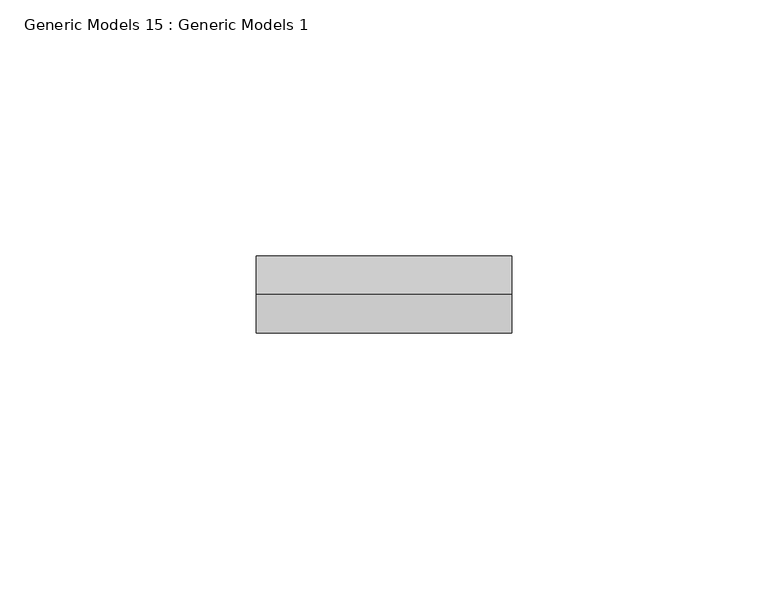
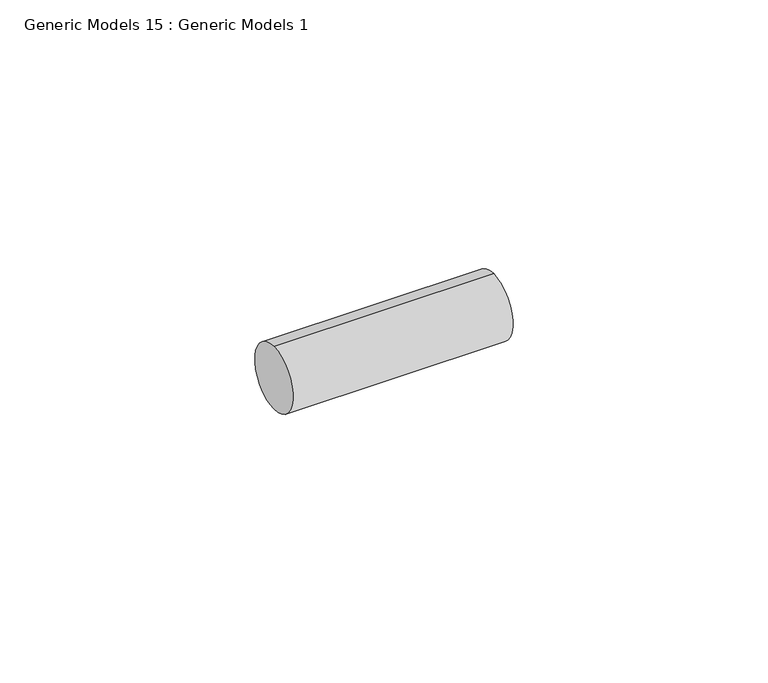
"""IFC4 building model written with IfcOpenShell, lengths in millimetres: proxy geometry, Generic Models 15 : Generic Models 1."""

import ifcopenshell
import ifcopenshell.guid

model = None  # the IFC model being written
_history = None  # IfcOwnerHistory: only IFC2X3 demands one
_inside = {}  # id of a spatial element -> (the spatial element, [elements in it])
_under = {}  # id of a project, library or spatial element -> (it, [spatial elements below it])
_declared = {}  # id of a project -> (the project, [libraries it declares])
_typed = {}  # id of a type object -> (the type object, [elements of that type])
_made_of = {}  # id of a material, layer set ... -> (it, [elements and type objects made of it])


def new_model(schema):
    """Start an empty IFC model of exactly this schema.

    Asked for "IFC4X3", IfcOpenShell would pick the latest addendum, in which some entities
    have other attributes; the version numbers below select the first issue.
    IFC2X3 requires an IfcOwnerHistory on every rooted entity: one is made here for all.
    """
    global model, _history
    if schema == "IFC4X3":
        model = ifcopenshell.file(schema_version=(4, 3, 0, 0))
    else:
        model = ifcopenshell.file(schema=schema)
    _inside.clear()
    _under.clear()
    _declared.clear()
    _typed.clear()
    _made_of.clear()
    _history = None
    if model.schema == "IFC2X3":
        org = make("IfcOrganization", Name="unknown")
        user = make(
            "IfcPersonAndOrganization",
            ThePerson=make("IfcPerson", FamilyName="unknown"),
            TheOrganization=org,
        )
        app = make(
            "IfcApplication",
            ApplicationDeveloper=org,
            Version="unknown",
            ApplicationFullName="unknown",
            ApplicationIdentifier="unknown",
        )
        _history = make(
            "IfcOwnerHistory",
            OwningUser=user,
            OwningApplication=app,
            ChangeAction="ADDED",
            CreationDate=0,
        )
    return model


def make(cls, **values):
    """One entity of the class cls with the attributes given. An attribute that is None is left unset."""
    return model.create_entity(
        cls, **{name: value for name, value in values.items() if value is not None}
    )


def rooted(cls, **values):
    """An entity with a GlobalId (a new one), such as an element, a storey or a relation."""
    return make(cls, GlobalId=ifcopenshell.guid.new(), OwnerHistory=_history, **values)


def si_unit(unit_type, name, prefix=None):
    """IfcSIUnit, for example si_unit("LENGTHUNIT", "METRE", prefix="MILLI")."""
    return make("IfcSIUnit", UnitType=unit_type, Prefix=prefix, Name=name)


def assignment(units):
    """IfcUnitAssignment: the units of a project."""
    return None if units is None else make("IfcUnitAssignment", Units=units)


def point(xyz):
    """IfcCartesianPoint."""
    return None if xyz is None else make("IfcCartesianPoint", Coordinates=xyz)


def direction(xyz):
    """IfcDirection."""
    return None if xyz is None else make("IfcDirection", DirectionRatios=xyz)


def frame(location, z_axis=None, x_axis=None):
    """IfcAxis2Placement3D, a coordinate frame: its origin and axes. An axis left out is left unset."""
    return make(
        "IfcAxis2Placement3D",
        Location=point(location),
        Axis=direction(z_axis),
        RefDirection=direction(x_axis),
    )


def frame_2d(location, x_axis=None):
    """IfcAxis2Placement2D, a coordinate frame in the plane: its origin and x axis."""
    return make(
        "IfcAxis2Placement2D", Location=point(location), RefDirection=direction(x_axis)
    )


def origin():
    """The frame at (0, 0, 0) with its axes left unset."""
    return frame((0.0, 0.0, 0.0))


def place(relative_to, where):
    """IfcLocalPlacement: puts the frame where relative to a parent placement (None: the world)."""
    return make(
        "IfcLocalPlacement", PlacementRelTo=relative_to, RelativePlacement=where
    )


def context(
    kind, dimensions, precision=None, world=None, true_north=None, identifier=None
):
    """IfcGeometricRepresentationContext, for example the 3D "Model" context."""
    return make(
        "IfcGeometricRepresentationContext",
        ContextIdentifier=identifier,
        ContextType=kind,
        CoordinateSpaceDimension=dimensions,
        Precision=precision,
        WorldCoordinateSystem=world,
        TrueNorth=true_north,
    )


def project(units=None, contexts=None):
    """IfcProject with its units and contexts."""
    return rooted(
        "IfcProject",
        Name="project",
        RepresentationContexts=contexts,
        UnitsInContext=assignment(units),
    )


def spatial(cls, under=None, at=None, **own):
    """A site, building, storey or space (cls), placed at a placement, below another one or the project."""
    s = rooted(cls, ObjectPlacement=at, **own)
    if under is not None:
        _under.setdefault(under.id(), (under, []))[1].append(s)
    return s


def circle_curve(where, radius):
    """IfcCircle in the frame where."""
    return make("IfcCircle", Position=where, Radius=radius)


def trimmed(basis, trim1, trim2, sense, master):
    """IfcTrimmedCurve: the piece of a basis curve between two trims."""
    return make(
        "IfcTrimmedCurve",
        BasisCurve=basis,
        Trim1=trim1,
        Trim2=trim2,
        SenseAgreement=sense,
        MasterRepresentation=master,
    )


def segment(curve, same_sense, transition):
    """IfcCompositeCurveSegment."""
    return make(
        "IfcCompositeCurveSegment",
        Transition=transition,
        SameSense=same_sense,
        ParentCurve=curve,
    )


def composite_curve(segments, self_intersect=None):
    """IfcCompositeCurve: segments joined end to end."""
    return make("IfcCompositeCurve", Segments=segments, SelfIntersect=self_intersect)


def outline(outer, holes=None, kind="AREA"):
    """IfcArbitraryClosedProfileDef: a profile drawn as a closed curve; with holes, ...WithVoids."""
    if holes is None:
        return make("IfcArbitraryClosedProfileDef", ProfileType=kind, OuterCurve=outer)
    return make(
        "IfcArbitraryProfileDefWithVoids",
        ProfileType=kind,
        OuterCurve=outer,
        InnerCurves=holes,
    )


def extrude(swept, where, along, depth):
    """IfcExtrudedAreaSolid: the profile swept, set in the frame where, extruded along a direction by depth."""
    return make(
        "IfcExtrudedAreaSolid",
        SweptArea=swept,
        Position=where,
        ExtrudedDirection=direction(along),
        Depth=depth,
    )


def shape(context_of_items, identifier, shape_type, items):
    """IfcShapeRepresentation: the items that make up one representation, for example the "Body"."""
    return make(
        "IfcShapeRepresentation",
        ContextOfItems=context_of_items,
        RepresentationIdentifier=identifier,
        RepresentationType=shape_type,
        Items=items,
    )


def source(mapping_origin, context_of_items, identifier, shape_type, items):
    """IfcRepresentationMap: a shape defined once, which mapped items show again and again."""
    return make(
        "IfcRepresentationMap",
        MappingOrigin=mapping_origin,
        MappedRepresentation=shape(context_of_items, identifier, shape_type, items),
    )


def transform(
    local_origin,
    x_axis=None,
    y_axis=None,
    z_axis=None,
    scale=None,
    scale2=None,
    scale3=None,
    uniform=True,
):
    """IfcCartesianTransformationOperator3D, or its non-uniform kind. x_axis, y_axis, z_axis: its Axis1, 2, 3."""
    if uniform:
        return make(
            "IfcCartesianTransformationOperator3D",
            Axis1=direction(x_axis),
            Axis2=direction(y_axis),
            LocalOrigin=point(local_origin),
            Scale=scale,
            Axis3=direction(z_axis),
        )
    return make(
        "IfcCartesianTransformationOperator3DnonUniform",
        Axis1=direction(x_axis),
        Axis2=direction(y_axis),
        LocalOrigin=point(local_origin),
        Scale=scale,
        Axis3=direction(z_axis),
        Scale2=scale2,
        Scale3=scale3,
    )


def mapped(mapping_source, mapping_target):
    """IfcMappedItem: shows the shape of a source again, moved by a transform."""
    return make(
        "IfcMappedItem", MappingSource=mapping_source, MappingTarget=mapping_target
    )


def made_of(thing, what):
    """Note that an element or type object is made of a material, layer set ...; save() writes the relation."""
    if what is not None:
        _made_of.setdefault(what.id(), (what, []))[1].append(thing)
    return thing


def element(
    cls,
    number,
    at=None,
    inside=None,
    cuts=None,
    type_object=None,
    material=None,
    context=None,
    identifier="Body",
    shape_type=None,
    held_by="IfcProductDefinitionShape",
    body=None,
    shapes=None,
    **own,
):
    """One element of the class cls, such as IfcWall. Its Tag is "e" and its number.

    at: its placement. inside: the storey or other place that contains it. cuts: it is an
    opening in that element (IfcRelVoidsElement). A single representation is given by context,
    identifier, shape_type and body (its items); several are given by shapes. held_by: the class
    of the entity that holds the representations. save() writes the other relations.
    """
    e = rooted(cls, Tag="e%d" % number, ObjectPlacement=at, **own)
    if body is not None:
        shapes = [shape(context, identifier, shape_type, body)]
    if shapes is not None:
        e.Representation = make(held_by, Representations=shapes)
    if inside is not None:
        _inside.setdefault(inside.id(), (inside, []))[1].append(e)
    if cuts is not None:
        rooted(
            "IfcRelVoidsElement", RelatingBuildingElement=cuts, RelatedOpeningElement=e
        )
    if type_object is not None:
        _typed.setdefault(type_object.id(), (type_object, []))[1].append(e)
    return made_of(e, material)


def aggregate(whole, parts):
    """IfcRelAggregates: a whole, such as a stair, and the parts it consists of."""
    return rooted("IfcRelAggregates", RelatingObject=whole, RelatedObjects=parts)


def save(model, path):
    """Write the relations noted so far, then the file.

    IfcRelAggregates (storeys below a building ...), IfcRelContainedInSpatialStructure (elements
    in a storey), IfcRelDefinesByType, IfcRelAssociatesMaterial and IfcRelDeclares: one each for
    every whole, place, type object, material and project.
    """
    for whole, parts in _under.values():
        aggregate(whole, parts)
    for where, things in _inside.values():
        rooted(
            "IfcRelContainedInSpatialStructure",
            RelatedElements=things,
            RelatingStructure=where,
        )
    for kind, things in _typed.values():
        rooted("IfcRelDefinesByType", RelatedObjects=things, RelatingType=kind)
    for what, things in _made_of.values():
        rooted("IfcRelAssociatesMaterial", RelatedObjects=things, RelatingMaterial=what)
    for by, libraries in _declared.values():
        rooted("IfcRelDeclares", RelatingContext=by, RelatedDefinitions=libraries)
    model.write(path)


def generic_models_15_generic_models_1_c620d899(model_context):
    return source(origin(), model_context, "Body", "SweptSolid", [
        extrude(outline(composite_curve([segment(trimmed(circle_curve(frame_2d((400.3057469, -814.107223)), 7.5), [point((400.3057469, -821.607223))], [point((400.3057469, -806.607223))], False, "CARTESIAN"), True, "CONTINUOUS"), segment(trimmed(circle_curve(frame_2d((400.3057469, -814.107223)), 7.5), [point((400.3057469, -806.607223))], [point((400.3057469, -821.607223))], False, "CARTESIAN"), True, "CONTINUOUS")], self_intersect=False)), frame((4555.2345051, 0.0, 0.0), z_axis=(1.0, 0.0, 0.0), x_axis=(0.0, 1.0, 0.0)), (0.0, 0.0, 1.0), 49.8000142),
    ])


if __name__ == "__main__":
    model = new_model("IFC4")
    model_context = context("Model", 3, world=origin())
    ifc_project = project(units=[si_unit("LENGTHUNIT", "METRE", prefix="MILLI")], contexts=[model_context])
    site = spatial("IfcSite", under=ifc_project)
    building = spatial("IfcBuilding", under=site)
    placement = place(None, origin())
    generic_models_15_generic_models_1_shape = generic_models_15_generic_models_1_c620d899(model_context)
    element("IfcBuildingElementProxy", 1, Name="Generic Models 15 : Generic Models 1", ObjectType="Generic Models 15 : Generic Models 1", at=placement, inside=building, context=model_context, shape_type="MappedRepresentation", body=[
        mapped(generic_models_15_generic_models_1_shape, transform((0.0, 0.0, 0.0), x_axis=(1.0, 0.0, 0.0), y_axis=(0.0, 1.0, 0.0), z_axis=(0.0, 0.0, 1.0))),
    ])
    save(model, "model.ifc")
